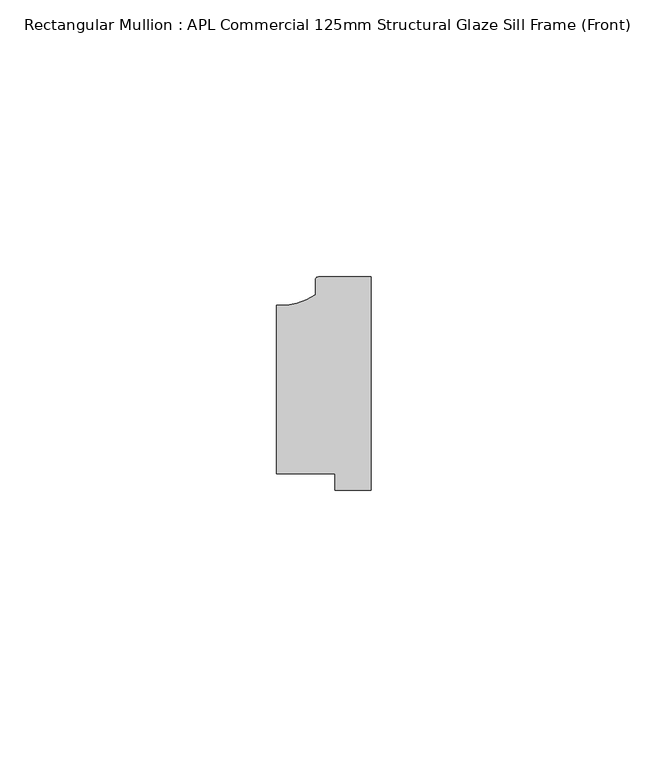
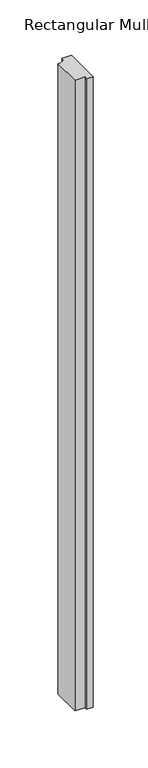
"""IFC4 building model written with IfcOpenShell, lengths in millimetres: member geometry, Rectangular Mullion : APL Commercial 125mm Structural Glaze Sill Frame (Front)."""

from ifc_helpers import new_model, si_unit, point, frame, frame_2d, origin, place, context, project, spatial, polyline, circle_curve, trimmed, segment, composite_curve, outline, extrude, source, transform, mapped, element, save


def rectangular_mullion_apl_commercial_125mm_structural_glaze_09bb8bc4(model_context):
    return source(origin(), model_context, "Body", "SweptSolid", [
        extrude(outline(composite_curve([segment(trimmed(circle_curve(frame_2d((-16.1098048, 25.7977481)), 10.4563907), [point((-16.999942, 15.3793144))], [point((-10.0, 17.3120901))], True, "CARTESIAN"), True, "CONTINUOUS"), segment(polyline([(-10.0, 17.3120901), (-10.0, 19.9980675)]), True, "CONTINUOUS"), segment(trimmed(circle_curve(frame_2d((-9.5000029, 19.99978)), 0.5), [point((-10.0, 19.9980675))], [point((-9.5000029, 20.49978))], False, "CARTESIAN"), True, "CONTINUOUS"), segment(polyline([(-9.5000029, 20.49978), (0.0, 20.49978), (0.0, -18.0281616), (-6.5000029, -18.0281616), (-6.5000029, -15.0004332), (-16.999942, -15.0004332), (-16.999942, 15.3793144)]), True, "CONTINUOUS")], self_intersect=False)), frame((0.0, 0.0, -695.1471772), z_axis=(0.0, 0.0, 1.0), x_axis=(1.0, 0.0, 0.0)), (0.0, 0.0, 1.0), 695.1471772),
    ])


if __name__ == "__main__":
    model = new_model("IFC4")
    model_context = context("Model", 3, world=origin())
    ifc_project = project(units=[si_unit("LENGTHUNIT", "METRE", prefix="MILLI")], contexts=[model_context])
    site = spatial("IfcSite", under=ifc_project)
    building = spatial("IfcBuilding", under=site)
    placement = place(None, origin())
    rectangular_mullion_apl_commercial_125mm_structural_glaze_shape = rectangular_mullion_apl_commercial_125mm_structural_glaze_09bb8bc4(model_context)
    element("IfcMember", 1, ObjectType="Rectangular Mullion : APL Commercial 125mm Structural Glaze Sill Frame (Front)", at=placement, inside=building, context=model_context, shape_type="MappedRepresentation", body=[
        mapped(rectangular_mullion_apl_commercial_125mm_structural_glaze_shape, transform((0.0, 0.0, 0.0), x_axis=(1.0, 0.0, 0.0), y_axis=(0.0, 1.0, 0.0), z_axis=(0.0, 0.0, 1.0))),
    ])
    save(model, "model.ifc")
